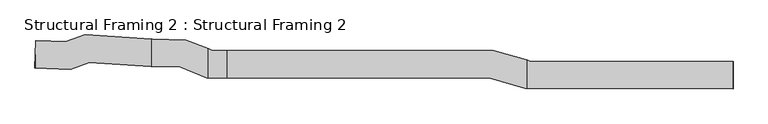
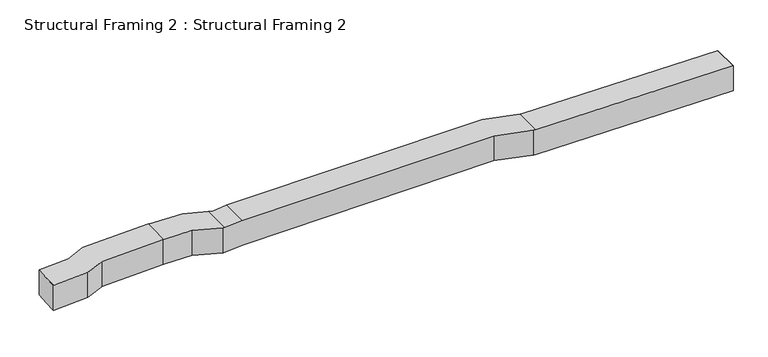
"""IFC4 building model written with IfcOpenShell, lengths in millimetres: beam geometry, Structural Framing 2 : Structural Framing 2."""

from ifc_helpers import new_model, si_unit, origin, place, context, project, spatial, faceted_brep, source, transform, mapped, element, save


def structural_framing_2_structural_framing_2_d067e44f(model_context):
    return source(origin(), model_context, "Body", "Brep", [
        faceted_brep([(-70323.8351509, -6296.9450576, 84849.685914), (-65348.5281164, -6453.6936854, 85256.3409137), (-65348.5281164, -6453.6936854, 80694.5792908), (-70323.8351509, -6296.9450576, 80287.9242912), (-70467.0061903, -10841.2902924, 84843.8348963), (-70395.4206706, -8569.117675, 84843.8348963), (-70395.4206706, -8569.117675, 80282.0732735), (-70467.0061903, -10841.2902924, 80282.0732735), (-70395.4206706, -10843.5456169, 84843.8348963), (-70395.4206706, -10843.5456169, 80282.0732735), (-64614.5261466, -11025.6745344, 80754.572688), (-64614.5261466, -11025.6745344, 85316.3343108), (-61521.4660237, -9897.0915804, 85569.1445101), (-61521.4660237, -9897.0915804, 81007.3828873), (-51312.7168967, -10541.8216167, 86403.5530891), (-51312.7168967, -10541.8216167, 81841.7914663), (-46497.3899656, -10666.6411084, 86392.5337258), (-51295.8845939, -10542.2579318, 86404.9288715), (-51116.2492551, -10546.9143117, 81857.849681), (-46497.3899656, -10666.6411084, 81845.9185571), (-42076.1184611, -12436.8940047, 86381.1129973), (-42076.1184611, -12436.8940047, 81834.4978285), (4593.8746231, -12436.8940047, 86872.3835256), (-38820.882071, -12436.8940047, 86648.060263), (-41862.7650628, -12436.8940047, 86380.5618772), (-41669.1008969, -12436.8940047, 81833.4464484), (-38609.634586, -12436.8940047, 82102.4910835), (4593.8746231, -12436.8940047, 82325.7228341), (10500.9048204, -14163.4438186, 86902.9050438), (10500.9048204, -14163.4438186, 82356.2443523), (44826.0922285, -14270.8439809, 86676.0242558), (44818.9793294, -14270.8217254, 86676.0242558), (10831.4708479, -14164.4781274, 86904.6130725), (10827.9275426, -14164.4670408, 82357.9340728), (44818.9793294, -14270.8217254, 82129.321425), (44826.0922285, -14270.8439809, 82129.321425), (44826.0922285, -9724.2217253, 86676.0242558), (44826.0922285, -9724.2217253, 82129.321425), (44818.9793294, -9724.1994697, 86676.0242558), (44818.9793294, -9724.1994697, 82129.321425), (11158.711315, -9618.8797753, 82355.7093298), (11158.711315, -9618.8797753, 86902.4121606), (10831.4708479, -9523.2315479, 86904.6130725), (10827.9275426, -9522.1958848, 82357.9340728), (5244.7155162, -7890.2940047, 82329.0857172), (5244.7155162, -7890.2940047, 86875.7464087), (-38820.882071, -7890.2940047, 86648.060263), (-38609.634586, -7890.2940047, 82102.4910835), (-41199.7215492, -7890.2940047, 81874.7229268), (-41199.7215492, -7890.2940047, 86438.8688766), (-41862.7650628, -7624.8150132, 86380.5618772), (-41669.1008969, -7702.3570845, 81833.4464484), (-45564.4065379, -6142.6980394, 81843.5085376), (-45564.4065379, -6142.6980394, 86390.1237063), (-51110.4559955, -5998.9372764, 86404.449885), (-51110.4559955, -5998.9372764, 81857.8347162), (-51295.8845939, -5987.2265971, 86404.9288715), (-51116.2492551, -5998.571405, 81857.849681), (-62185.3028573, -5299.5091358, 80953.1244133), (-62185.3028573, -5299.5091358, 85514.8860361)], [[[0, 1, 2, 3]], [[4, 5, 0, 3, 6, 7]], [[8, 4, 7, 9, 10, 11]], [[12, 11, 10, 13]], [[14, 12, 13, 15]], [[16, 17, 14, 15, 18, 19]], [[20, 16, 19, 21]], [[22, 23, 24, 20, 21, 25, 26, 27]], [[28, 22, 27, 29]], [[30, 31, 32, 28, 29, 33, 34, 35]], [[36, 30, 35, 37]], [[38, 36, 37, 39, 40, 41]], [[42, 41, 40, 43, 44, 45]], [[46, 45, 44, 47, 48, 49]], [[50, 49, 48, 51, 52, 53]], [[54, 53, 52, 55]], [[56, 54, 55, 57, 58, 59]], [[1, 59, 58, 2]], [[8, 5, 4]], [[38, 31, 30, 36]], [[31, 38, 41, 42, 32]], [[32, 42, 45, 46, 23, 22, 28]], [[23, 46, 49, 50, 24]], [[24, 50, 53, 54, 56, 17, 16, 20]], [[5, 8, 11, 12, 14, 17, 56, 59, 1, 0]], [[33, 43, 40, 39, 34]], [[34, 39, 37, 35]], [[6, 9, 7]], [[9, 6, 3, 2, 58, 57, 18, 15, 13, 10]], [[18, 57, 55, 52, 51, 25, 21, 19]], [[25, 51, 48, 47, 26]], [[43, 33, 29, 27, 26, 47, 44]]]),
    ])


if __name__ == "__main__":
    model = new_model("IFC4")
    model_context = context("Model", 3, world=origin())
    ifc_project = project(units=[si_unit("LENGTHUNIT", "METRE", prefix="MILLI")], contexts=[model_context])
    site = spatial("IfcSite", under=ifc_project)
    building = spatial("IfcBuilding", under=site)
    placement = place(None, origin())
    structural_framing_2_structural_framing_2_shape = structural_framing_2_structural_framing_2_d067e44f(model_context)
    element("IfcBeam", 1, ObjectType="Structural Framing 2 : Structural Framing 2", at=placement, inside=building, context=model_context, shape_type="MappedRepresentation", body=[
        mapped(structural_framing_2_structural_framing_2_shape, transform((0.0, 0.0, 0.0), x_axis=(1.0, 0.0, 0.0), y_axis=(0.0, 1.0, 0.0), z_axis=(0.0, 0.0, 1.0))),
    ])
    save(model, "model.ifc")
